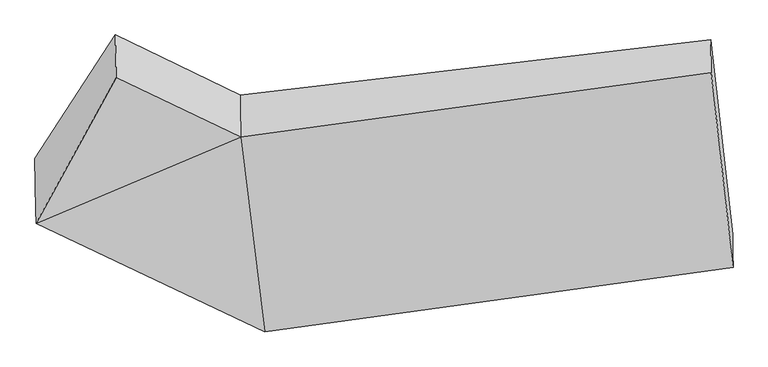
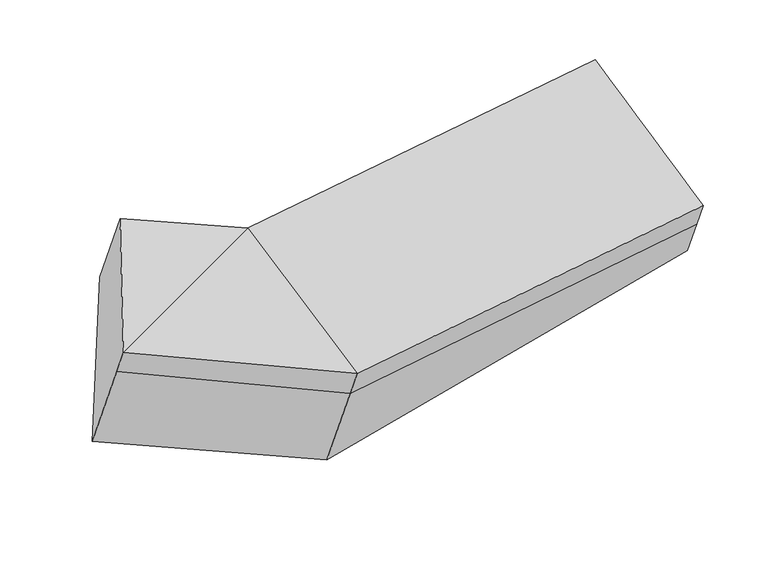
"""IFC4 building model written with IfcOpenShell, lengths in millimetres: proxy geometry."""

from ifc_helpers import new_model, si_unit, frame, origin, place, context, project, spatial, source, transform, mapped, element, save
from ifc_brep_helpers import plane_surface, spline_surface, advanced_brep


def generic_models_c793592f(model_context):
    return source(origin(), model_context, "Body", "AdvancedBrep", [
        advanced_brep(
        [(-927.5861374, -1229.435099, 2348.2742882), (-1244.2570225, -1806.3500796, 2109.7608593), (-434.2174251, -1465.2044129, 2267.4111561), (-1245.2078209, -1752.4168801, 1980.5698922), (-340.4968434, -2177.3884281, 1806.8567281), (-339.4781307, -2235.1739989, 1945.2756215), (-1248.7939024, -1548.9995902, 1493.3064505), (-343.912321, -1983.6484911, 1342.7743067), (-930.5783516, -1059.7044036, 1941.7033283), (-437.1493062, -1298.8960567, 1869.0380283), (1422.7088826, -1078.9171618, 2025.3667048), (1425.0179646, -1209.8977891, 2339.1161963), (1511.3657832, -1980.7289729, 2016.6827296), (1510.4149848, -1926.7957734, 1887.4917625), (1509.0567012, -1849.7483455, 1702.9332381)],
        [
            (0, 1),
            (1, 2),
            (2, 0),
            (1, 3),
            (3, 4),
            (4, 5),
            (5, 1),
            (3, 6),
            (6, 7),
            (7, 4),
            (6, 8),
            (8, 7),
            (8, 0),
            (2, 9),
            (9, 8),
            (10, 11),
            (11, 12),
            (12, 13),
            (13, 14),
            (14, 10),
            (5, 2),
            (9, 7),
            (2, 11),
            (10, 9),
            (5, 12),
            (4, 13),
            (7, 14),
        ],
        [
            plane_surface(frame((-1085.9215799, -1517.8925893, 2229.0175737), z_axis=(-0.024766884124727717, -0.37030700257428906, 0.9285791971044784), x_axis=(-0.4523869786246613, -0.8241642579528986, -0.3407334698614128))),
            plane_surface(frame((-1244.7324217, -1779.3834798, 2045.1653757), z_axis=(-0.4525247956267204, -0.8241000895684416, -0.3407056672793712), x_axis=(-0.0067914176423455016, 0.38523713920165825, -0.9227926220046027))),
            plane_surface(frame((-1247.0008617, -1650.7082351, 1736.9381713), z_axis=(-0.4525247956267213, -0.8241000895684897, -0.34070566727925367), x_axis=(-0.00679141764257012, 0.3852371392016315, -0.9227926220046122))),
            plane_surface(frame((-1089.686127, -1304.3519969, 1717.5048894), z_axis=(0.16228518184489746, 0.6072250803438091, -0.7777796741719492), x_axis=(0.43234424737546673, 0.6647819651459805, 0.6092153893148051))),
            plane_surface(frame((-929.0822445, -1144.5697513, 2144.9888082), z_axis=(0.4502415166997419, 0.8251600141060516, 0.3411649568176908), x_axis=(0.0067914176425234955, -0.385237139201637, 0.9227926220046102))),
            plane_surface(frame((1467.0373329, -1529.8230673, 2021.0247172), z_axis=(0.994679375514173, 0.09746536934337055, 0.033368273936410744), x_axis=(0.0067914176425247245, -0.38523713920163694, 0.9227926220046103))),
            plane_surface(frame((-1087.8038535, -1411.1222931, 1973.2612316), z_axis=(-0.89179588371852, 0.4151453028671182, 0.17987350913926362), x_axis=(-0.006791417642582505, 0.38523713920163094, -0.9227926220046123))),
            plane_surface(frame((-1244.2570225, -1806.3500796, 2109.7608593), z_axis=(-0.016144062232219744, -0.38759687443135693, 0.9216876001041162), x_axis=(0.11278487421585418, -0.9166304595450947, -0.3834946841642822))),
            plane_surface(frame((-930.5783516, -1059.7044036, 1941.7033283), z_axis=(0.1849780316002989, 0.614564040335084, -0.7668729804552356), x_axis=(-0.1073369464952782, 0.7883055767954135, 0.6058490715601702))),
            plane_surface(frame((-435.6833656, -1382.0502348, 2068.2245922), z_axis=(-0.1401626724146854, 0.9133371888549655, 0.3823213369877268), x_axis=(0.0067914176425247245, -0.38523713920163694, 0.9227926220046103))),
            spline_surface(1, 1, [[(-434.2174251, -1465.2044129, 2267.4111561), (1425.0179646, -1209.8977891, 2339.1161963)], [(-339.4781307, -2235.1739989, 1945.2756215), (1511.3657832, -1980.7289729, 2016.6827296)]], [2, 2], [2, 2], [0.0, 1.0], [0.0, 1.0]),
            plane_surface(frame((-339.9874871, -2206.2812135, 1876.0661748), z_axis=(0.14030849078002322, -0.913317747556404, -0.3823142940219851), x_axis=(-0.006791417642504049, 0.38523713920163755, -0.9227926220046101))),
            plane_surface(frame((-342.2045822, -2080.5184596, 1574.8155174), z_axis=(0.14030849078002344, -0.9133177475564027, -0.3823142940219884), x_axis=(-0.006791417642528366, 0.38523713920163766, -0.92279262200461))),
            spline_surface(1, 1, [[(-343.912321, -1983.6484911, 1342.7743067), (1509.0567012, -1849.7483455, 1702.9332381)], [(-437.1493062, -1298.8960567, 1869.0380283), (1422.7088826, -1078.9171618, 2025.3667048)]], [2, 2], [2, 2], [0.0, 1.0], [0.0, 1.0]),
        ],
        [
            (0, [[1, 2, 3]]),
            (1, [[4, 5, 6, 7]]),
            (2, [[8, 9, 10, -5]]),
            (3, [[11, 12, -9]]),
            (4, [[13, -3, 14, 15]]),
            (5, [[16, 17, 18, 19, 20]]),
            (6, [[-13, -11, -8, -4, -1]]),
            (7, [[21, -2, -7]]),
            (8, [[22, -12, -15]]),
            (9, [[-14, 23, -16, 24]]),
            (10, [[-21, 25, -17, -23]]),
            (11, [[-6, 26, -18, -25]]),
            (12, [[-10, 27, -19, -26]]),
            (13, [[-22, -24, -20, -27]]),
        ],
    ),
    ])


if __name__ == "__main__":
    model = new_model("IFC4")
    model_context = context("Model", 3, world=origin())
    ifc_project = project(units=[si_unit("LENGTHUNIT", "METRE", prefix="MILLI")], contexts=[model_context])
    site = spatial("IfcSite", under=ifc_project)
    building = spatial("IfcBuilding", under=site)
    placement = place(None, origin())
    generic_models_shape = generic_models_c793592f(model_context)
    element("IfcBuildingElementProxy", 1, Name="Generic Models", at=placement, inside=building, context=model_context, shape_type="MappedRepresentation", body=[
        mapped(generic_models_shape, transform((0.0, 0.0, 0.0), x_axis=(1.0, 0.0, 0.0), y_axis=(0.0, 1.0, 0.0), z_axis=(0.0, 0.0, 1.0))),
    ])
    save(model, "model.ifc")
